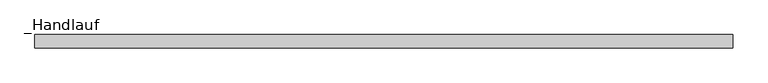
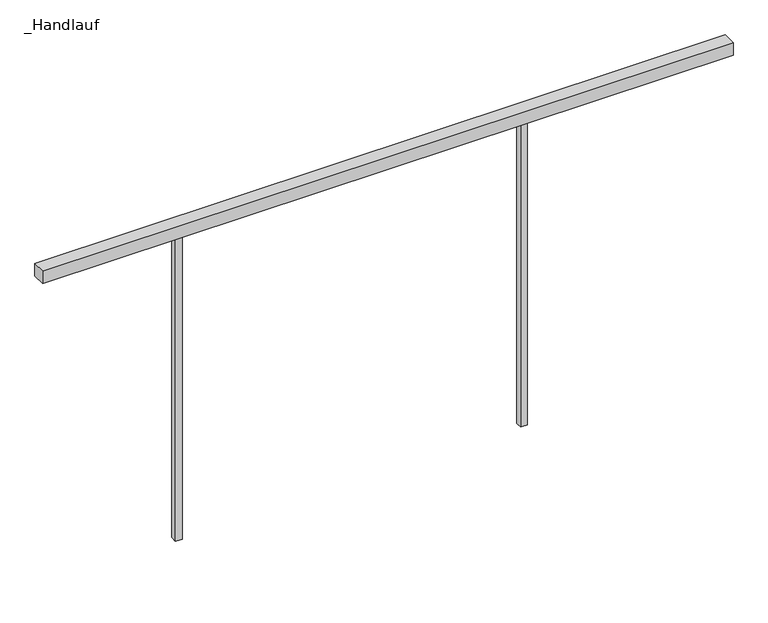
"""IFC4 building model written with IfcOpenShell, lengths in millimetres: railing geometry, _Handlauf."""

from ifc_helpers import new_model, si_unit, frame, origin, place, context, project, spatial, polyline, outline, extrude, source, transform, mapped, element, save


def handlauf_4958aaf5(model_context):
    return source(origin(), model_context, "Body", "SweptSolid", [
        extrude(outline(polyline([(6505.0, 2300.0), (6505.0, 2260.0), (4445.0, 2260.0), (4445.0, 2300.0), (6505.0, 2300.0)])), frame((0.0, 0.0, 7960.0), z_axis=(0.0, 0.0, 1.0), x_axis=(1.0, 0.0, 0.0)), (0.0, 0.0, 1.0), 40.0),
        extrude(outline(polyline([(4867.0, 2290.0), (4867.0, 2270.0), (4847.0, 2270.0), (4847.0, 2290.0), (4867.0, 2290.0)])), frame((0.0, 0.0, 7000.0), z_axis=(0.0, 0.0, 1.0), x_axis=(1.0, 0.0, 0.0)), (0.0, 0.0, 1.0), 960.0),
        extrude(outline(polyline([(5897.0, 2290.0), (5897.0, 2270.0), (5877.0, 2270.0), (5877.0, 2290.0), (5897.0, 2290.0)])), frame((0.0, 0.0, 7000.0), z_axis=(0.0, 0.0, 1.0), x_axis=(1.0, 0.0, 0.0)), (0.0, 0.0, 1.0), 960.0),
    ])


if __name__ == "__main__":
    model = new_model("IFC4")
    model_context = context("Model", 3, world=origin())
    ifc_project = project(units=[si_unit("LENGTHUNIT", "METRE", prefix="MILLI")], contexts=[model_context])
    site = spatial("IfcSite", under=ifc_project)
    building = spatial("IfcBuilding", under=site)
    placement = place(None, origin())
    handlauf_shape = handlauf_4958aaf5(model_context)
    element("IfcRailing", 1, ObjectType="_Handlauf", at=placement, inside=building, context=model_context, shape_type="MappedRepresentation", body=[
        mapped(handlauf_shape, transform((0.0, 0.0, 0.0), x_axis=(1.0, 0.0, 0.0), y_axis=(0.0, 1.0, 0.0), z_axis=(0.0, 0.0, 1.0))),
    ])
    save(model, "model.ifc")
